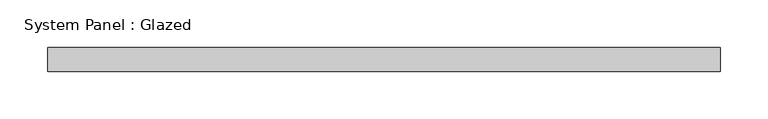
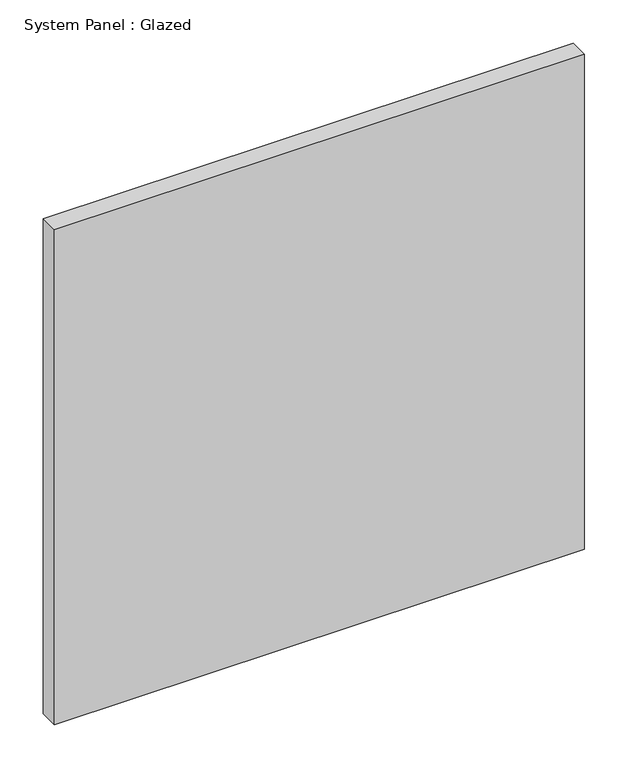
"""IFC4 building model written with IfcOpenShell, lengths in millimetres: plate geometry, System Panel : Glazed."""

import ifcopenshell
import ifcopenshell.guid

model = None  # the IFC model being written
_history = None  # IfcOwnerHistory: only IFC2X3 demands one
_inside = {}  # id of a spatial element -> (the spatial element, [elements in it])
_under = {}  # id of a project, library or spatial element -> (it, [spatial elements below it])
_declared = {}  # id of a project -> (the project, [libraries it declares])
_typed = {}  # id of a type object -> (the type object, [elements of that type])
_made_of = {}  # id of a material, layer set ... -> (it, [elements and type objects made of it])


def new_model(schema):
    """Start an empty IFC model of exactly this schema.

    Asked for "IFC4X3", IfcOpenShell would pick the latest addendum, in which some entities
    have other attributes; the version numbers below select the first issue.
    IFC2X3 requires an IfcOwnerHistory on every rooted entity: one is made here for all.
    """
    global model, _history
    if schema == "IFC4X3":
        model = ifcopenshell.file(schema_version=(4, 3, 0, 0))
    else:
        model = ifcopenshell.file(schema=schema)
    _inside.clear()
    _under.clear()
    _declared.clear()
    _typed.clear()
    _made_of.clear()
    _history = None
    if model.schema == "IFC2X3":
        org = make("IfcOrganization", Name="unknown")
        user = make(
            "IfcPersonAndOrganization",
            ThePerson=make("IfcPerson", FamilyName="unknown"),
            TheOrganization=org,
        )
        app = make(
            "IfcApplication",
            ApplicationDeveloper=org,
            Version="unknown",
            ApplicationFullName="unknown",
            ApplicationIdentifier="unknown",
        )
        _history = make(
            "IfcOwnerHistory",
            OwningUser=user,
            OwningApplication=app,
            ChangeAction="ADDED",
            CreationDate=0,
        )
    return model


def make(cls, **values):
    """One entity of the class cls with the attributes given. An attribute that is None is left unset."""
    return model.create_entity(
        cls, **{name: value for name, value in values.items() if value is not None}
    )


def rooted(cls, **values):
    """An entity with a GlobalId (a new one), such as an element, a storey or a relation."""
    return make(cls, GlobalId=ifcopenshell.guid.new(), OwnerHistory=_history, **values)


def si_unit(unit_type, name, prefix=None):
    """IfcSIUnit, for example si_unit("LENGTHUNIT", "METRE", prefix="MILLI")."""
    return make("IfcSIUnit", UnitType=unit_type, Prefix=prefix, Name=name)


def assignment(units):
    """IfcUnitAssignment: the units of a project."""
    return None if units is None else make("IfcUnitAssignment", Units=units)


def point(xyz):
    """IfcCartesianPoint."""
    return None if xyz is None else make("IfcCartesianPoint", Coordinates=xyz)


def direction(xyz):
    """IfcDirection."""
    return None if xyz is None else make("IfcDirection", DirectionRatios=xyz)


def frame(location, z_axis=None, x_axis=None):
    """IfcAxis2Placement3D, a coordinate frame: its origin and axes. An axis left out is left unset."""
    return make(
        "IfcAxis2Placement3D",
        Location=point(location),
        Axis=direction(z_axis),
        RefDirection=direction(x_axis),
    )


def origin():
    """The frame at (0, 0, 0) with its axes left unset."""
    return frame((0.0, 0.0, 0.0))


def origin_with_axes():
    """The frame at (0, 0, 0) with the z axis (0, 0, 1) and the x axis (1, 0, 0) written out."""
    return frame((0.0, 0.0, 0.0), z_axis=(0.0, 0.0, 1.0), x_axis=(1.0, 0.0, 0.0))


def place(relative_to, where):
    """IfcLocalPlacement: puts the frame where relative to a parent placement (None: the world)."""
    return make(
        "IfcLocalPlacement", PlacementRelTo=relative_to, RelativePlacement=where
    )


def context(
    kind, dimensions, precision=None, world=None, true_north=None, identifier=None
):
    """IfcGeometricRepresentationContext, for example the 3D "Model" context."""
    return make(
        "IfcGeometricRepresentationContext",
        ContextIdentifier=identifier,
        ContextType=kind,
        CoordinateSpaceDimension=dimensions,
        Precision=precision,
        WorldCoordinateSystem=world,
        TrueNorth=true_north,
    )


def project(units=None, contexts=None):
    """IfcProject with its units and contexts."""
    return rooted(
        "IfcProject",
        Name="project",
        RepresentationContexts=contexts,
        UnitsInContext=assignment(units),
    )


def spatial(cls, under=None, at=None, **own):
    """A site, building, storey or space (cls), placed at a placement, below another one or the project."""
    s = rooted(cls, ObjectPlacement=at, **own)
    if under is not None:
        _under.setdefault(under.id(), (under, []))[1].append(s)
    return s


def polyline(points):
    """IfcPolyline through the points."""
    return make("IfcPolyline", Points=[point(p) for p in points])


def outline(outer, holes=None, kind="AREA"):
    """IfcArbitraryClosedProfileDef: a profile drawn as a closed curve; with holes, ...WithVoids."""
    if holes is None:
        return make("IfcArbitraryClosedProfileDef", ProfileType=kind, OuterCurve=outer)
    return make(
        "IfcArbitraryProfileDefWithVoids",
        ProfileType=kind,
        OuterCurve=outer,
        InnerCurves=holes,
    )


def extrude(swept, where, along, depth):
    """IfcExtrudedAreaSolid: the profile swept, set in the frame where, extruded along a direction by depth."""
    return make(
        "IfcExtrudedAreaSolid",
        SweptArea=swept,
        Position=where,
        ExtrudedDirection=direction(along),
        Depth=depth,
    )


def shape(context_of_items, identifier, shape_type, items):
    """IfcShapeRepresentation: the items that make up one representation, for example the "Body"."""
    return make(
        "IfcShapeRepresentation",
        ContextOfItems=context_of_items,
        RepresentationIdentifier=identifier,
        RepresentationType=shape_type,
        Items=items,
    )


def source(mapping_origin, context_of_items, identifier, shape_type, items):
    """IfcRepresentationMap: a shape defined once, which mapped items show again and again."""
    return make(
        "IfcRepresentationMap",
        MappingOrigin=mapping_origin,
        MappedRepresentation=shape(context_of_items, identifier, shape_type, items),
    )


def transform(
    local_origin,
    x_axis=None,
    y_axis=None,
    z_axis=None,
    scale=None,
    scale2=None,
    scale3=None,
    uniform=True,
):
    """IfcCartesianTransformationOperator3D, or its non-uniform kind. x_axis, y_axis, z_axis: its Axis1, 2, 3."""
    if uniform:
        return make(
            "IfcCartesianTransformationOperator3D",
            Axis1=direction(x_axis),
            Axis2=direction(y_axis),
            LocalOrigin=point(local_origin),
            Scale=scale,
            Axis3=direction(z_axis),
        )
    return make(
        "IfcCartesianTransformationOperator3DnonUniform",
        Axis1=direction(x_axis),
        Axis2=direction(y_axis),
        LocalOrigin=point(local_origin),
        Scale=scale,
        Axis3=direction(z_axis),
        Scale2=scale2,
        Scale3=scale3,
    )


def mapped(mapping_source, mapping_target):
    """IfcMappedItem: shows the shape of a source again, moved by a transform."""
    return make(
        "IfcMappedItem", MappingSource=mapping_source, MappingTarget=mapping_target
    )


def made_of(thing, what):
    """Note that an element or type object is made of a material, layer set ...; save() writes the relation."""
    if what is not None:
        _made_of.setdefault(what.id(), (what, []))[1].append(thing)
    return thing


def element(
    cls,
    number,
    at=None,
    inside=None,
    cuts=None,
    type_object=None,
    material=None,
    context=None,
    identifier="Body",
    shape_type=None,
    held_by="IfcProductDefinitionShape",
    body=None,
    shapes=None,
    **own,
):
    """One element of the class cls, such as IfcWall. Its Tag is "e" and its number.

    at: its placement. inside: the storey or other place that contains it. cuts: it is an
    opening in that element (IfcRelVoidsElement). A single representation is given by context,
    identifier, shape_type and body (its items); several are given by shapes. held_by: the class
    of the entity that holds the representations. save() writes the other relations.
    """
    e = rooted(cls, Tag="e%d" % number, ObjectPlacement=at, **own)
    if body is not None:
        shapes = [shape(context, identifier, shape_type, body)]
    if shapes is not None:
        e.Representation = make(held_by, Representations=shapes)
    if inside is not None:
        _inside.setdefault(inside.id(), (inside, []))[1].append(e)
    if cuts is not None:
        rooted(
            "IfcRelVoidsElement", RelatingBuildingElement=cuts, RelatedOpeningElement=e
        )
    if type_object is not None:
        _typed.setdefault(type_object.id(), (type_object, []))[1].append(e)
    return made_of(e, material)


def aggregate(whole, parts):
    """IfcRelAggregates: a whole, such as a stair, and the parts it consists of."""
    return rooted("IfcRelAggregates", RelatingObject=whole, RelatedObjects=parts)


def save(model, path):
    """Write the relations noted so far, then the file.

    IfcRelAggregates (storeys below a building ...), IfcRelContainedInSpatialStructure (elements
    in a storey), IfcRelDefinesByType, IfcRelAssociatesMaterial and IfcRelDeclares: one each for
    every whole, place, type object, material and project.
    """
    for whole, parts in _under.values():
        aggregate(whole, parts)
    for where, things in _inside.values():
        rooted(
            "IfcRelContainedInSpatialStructure",
            RelatedElements=things,
            RelatingStructure=where,
        )
    for kind, things in _typed.values():
        rooted("IfcRelDefinesByType", RelatedObjects=things, RelatingType=kind)
    for what, things in _made_of.values():
        rooted("IfcRelAssociatesMaterial", RelatedObjects=things, RelatingMaterial=what)
    for by, libraries in _declared.values():
        rooted("IfcRelDeclares", RelatingContext=by, RelatedDefinitions=libraries)
    model.write(path)


def system_panel_glazed_b92ea1f2(model_context):
    return source(origin(), model_context, "Body", "SweptSolid", [
        extrude(outline(polyline([(353.7982214, 19.05), (-353.7982214, 19.05), (-353.7982214, 44.45), (353.7982214, 44.45), (353.7982214, 19.05)])), origin_with_axes(), (0.0, 0.0, 1.0), 698.5),
    ])


if __name__ == "__main__":
    model = new_model("IFC4")
    model_context = context("Model", 3, world=origin())
    ifc_project = project(units=[si_unit("LENGTHUNIT", "METRE", prefix="MILLI")], contexts=[model_context])
    site = spatial("IfcSite", under=ifc_project)
    building = spatial("IfcBuilding", under=site)
    placement = place(None, origin())
    system_panel_glazed_shape = system_panel_glazed_b92ea1f2(model_context)
    element("IfcPlate", 1, ObjectType="System Panel : Glazed", at=placement, inside=building, context=model_context, shape_type="MappedRepresentation", body=[
        mapped(system_panel_glazed_shape, transform((0.0, 0.0, 0.0), x_axis=(1.0, 0.0, 0.0), y_axis=(0.0, 1.0, 0.0), z_axis=(0.0, 0.0, 1.0))),
    ])
    save(model, "model.ifc")
